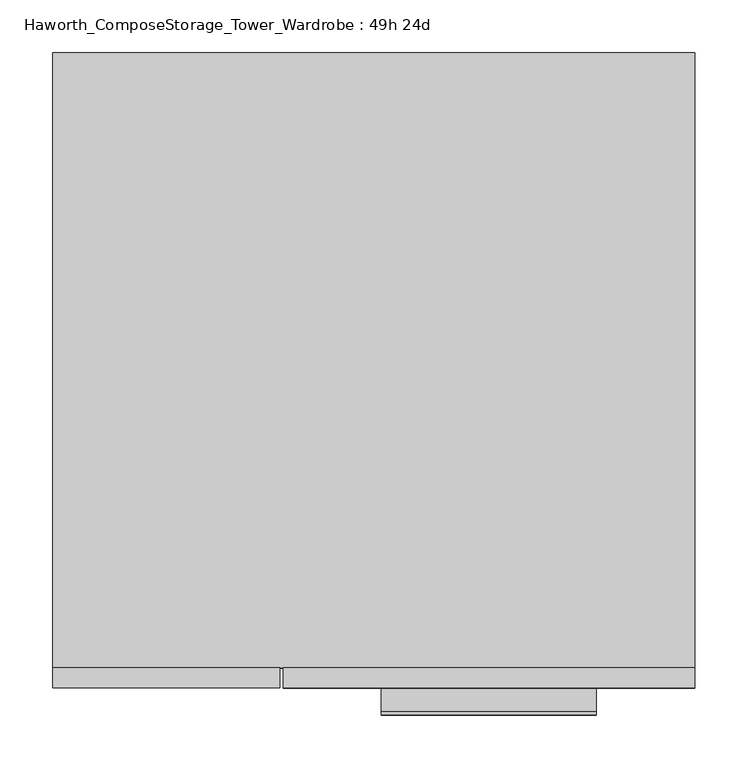
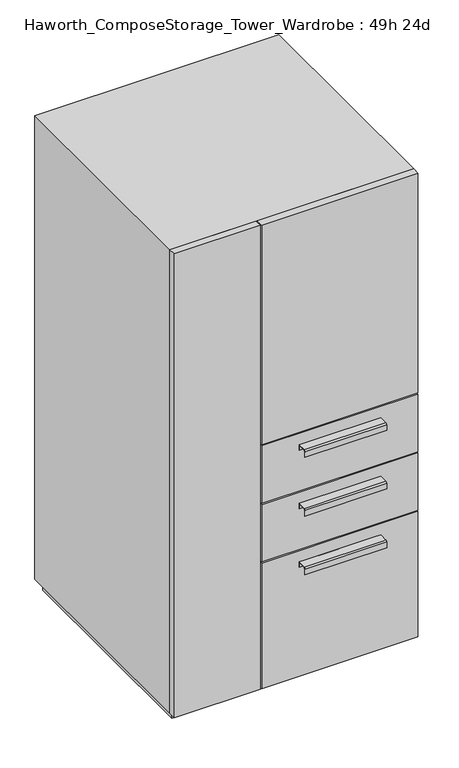
"""IFC4 building model written with IfcOpenShell, lengths in millimetres: furniture geometry, Haworth_ComposeStorage_Tower_Wardrobe : 49h 24d."""

from ifc_helpers import new_model, si_unit, point, frame, frame_2d, origin, origin_with_axes, place, context, project, spatial, polyline, circle_curve, trimmed, segment, composite_curve, outline, extrude, faceted_brep, source, transform, mapped, element, save


def haworth_composestorage_tower_wardrobe_49h_24d_34b3b2a0(model_context):
    return source(origin(), model_context, "Body", "SolidModel", [
        extrude(outline(composite_curve([segment(polyline([(-331.7875242, 633.9919215), (-309.5625, 633.9919215), (-309.5625, 620.5299525), (-310.3562742, 620.5299525), (-310.3562742, 633.1982199), (-331.7875242, 633.1982199)]), True, "CONTINUOUS"), segment(trimmed(circle_curve(frame_2d((-331.7875242, 630.8142808)), 2.3839392), [point((-331.7875242, 633.1982199))], [point((-334.1714634, 630.8142808))], True, "CARTESIAN"), True, "CONTINUOUS"), segment(polyline([(-334.1714634, 630.8142808), (-334.1714634, 616.2119021), (-334.9624758, 616.2119021), (-334.9624758, 630.8169699)]), True, "CONTINUOUS"), segment(trimmed(circle_curve(frame_2d((-331.7875242, 630.8169699)), 3.1749516), [point((-334.9624758, 630.8169699))], [point((-331.7875242, 633.9919215))], False, "CARTESIAN"), True, "CONTINUOUS")], self_intersect=False)), frame((7.1576406, 0.0, 0.0), z_axis=(1.0, 0.0, 0.0), x_axis=(0.0, 1.0, 0.0)), (0.0, 0.0, 1.0), 203.2),
        extrude(outline(polyline([(303.2263906, -290.5125), (303.2263906, -309.5625), (-85.7111094, -309.5625), (-85.7111094, -290.5125), (303.2263906, -290.5125)])), frame((0.0, 0.0, 512.7625), z_axis=(0.0, 0.0, 1.0), x_axis=(1.0, 0.0, 0.0)), (0.0, 0.0, 1.0), 150.8125),
        extrude(outline(composite_curve([segment(polyline([(-331.7875242, 480.0044215), (-309.5625, 480.0044215), (-309.5625, 466.5424525), (-310.3562742, 466.5424525), (-310.3562742, 479.2107199), (-331.7875242, 479.2107199)]), True, "CONTINUOUS"), segment(trimmed(circle_curve(frame_2d((-331.7875242, 476.8267808)), 2.3839392), [point((-331.7875242, 479.2107199))], [point((-334.1714634, 476.8267808))], True, "CARTESIAN"), True, "CONTINUOUS"), segment(polyline([(-334.1714634, 476.8267808), (-334.1714634, 462.2244021), (-334.9624758, 462.2244021), (-334.9624758, 476.8294699)]), True, "CONTINUOUS"), segment(trimmed(circle_curve(frame_2d((-331.7875242, 476.8294699)), 3.1749516), [point((-334.9624758, 476.8294699))], [point((-331.7875242, 480.0044215))], False, "CARTESIAN"), True, "CONTINUOUS")], self_intersect=False)), frame((7.1576406, 0.0, 0.0), z_axis=(1.0, 0.0, 0.0), x_axis=(0.0, 1.0, 0.0)), (0.0, 0.0, 1.0), 203.2),
        extrude(outline(polyline([(303.2263906, -290.5125), (303.2263906, -309.5625), (-85.7111094, -309.5625), (-85.7111094, -290.5125), (303.2263906, -290.5125)])), frame((0.0, 0.0, 358.775), z_axis=(0.0, 0.0, 1.0), x_axis=(1.0, 0.0, 0.0)), (0.0, 0.0, 1.0), 150.8125),
        extrude(outline(composite_curve([segment(polyline([(-331.7875242, 326.0169215), (-309.5625, 326.0169215), (-309.5625, 312.5549525), (-310.3562742, 312.5549525), (-310.3562742, 325.2232199), (-331.7875242, 325.2232199)]), True, "CONTINUOUS"), segment(trimmed(circle_curve(frame_2d((-331.7875242, 322.8392808)), 2.3839392), [point((-331.7875242, 325.2232199))], [point((-334.1714634, 322.8392808))], True, "CARTESIAN"), True, "CONTINUOUS"), segment(polyline([(-334.1714634, 322.8392808), (-334.1714634, 308.2369021), (-334.9624758, 308.2369021), (-334.9624758, 322.8419699)]), True, "CONTINUOUS"), segment(trimmed(circle_curve(frame_2d((-331.7875242, 322.8419699)), 3.1749516), [point((-334.9624758, 322.8419699))], [point((-331.7875242, 326.0169215))], False, "CARTESIAN"), True, "CONTINUOUS")], self_intersect=False)), frame((7.1576406, 0.0, 0.0), z_axis=(1.0, 0.0, 0.0), x_axis=(0.0, 1.0, 0.0)), (0.0, 0.0, 1.0), 203.2),
        extrude(outline(polyline([(303.2263906, -290.5125), (303.2263906, -309.5625), (-85.7111094, -309.5625), (-85.7111094, -290.5125), (303.2263906, -290.5125)])), frame((0.0, 0.0, 25.4), z_axis=(0.0, 0.0, 1.0), x_axis=(1.0, 0.0, 0.0)), (0.0, 0.0, 1.0), 330.2),
        extrude(outline(polyline([(303.2263906, -290.5125), (303.2263906, -309.5625), (-85.7111094, -309.5625), (-85.7111094, -290.5125), (303.2263906, -290.5125)])), frame((0.0, 0.0, 666.75), z_axis=(0.0, 0.0, 1.0), x_axis=(1.0, 0.0, 0.0)), (0.0, 0.0, 1.0), 577.85),
        extrude(outline(polyline([(-303.1986094, -309.5625), (-303.1986094, -290.5125), (-88.8861094, -290.5125), (-88.8861094, -309.5625), (-303.1986094, -309.5625)])), frame((0.0, 0.0, 25.4), z_axis=(0.0, 0.0, 1.0), x_axis=(1.0, 0.0, 0.0)), (0.0, 0.0, 1.0), 1219.2),
        faceted_brep([(-303.1986094, -290.5125, 25.4), (303.2263906, -290.5125, 25.4), (303.2263906, -290.5125, 1244.6), (-303.1986094, -290.5125, 1244.6), (-284.1486094, -290.5125, 44.45), (-284.1486094, -290.5125, 1225.55), (284.1694453, -290.5125, 1225.55), (284.1694453, -290.5125, 44.45), (-303.1986094, 290.5125, 25.4), (-303.1986094, 290.5125, 1244.6), (303.2263906, 290.5125, 1244.6), (303.2263906, 290.5125, 25.4), (-284.1486094, 271.4625, 44.45), (-284.1486094, 271.4625, 1225.55), (284.1694453, 271.4625, 1225.55), (284.1694453, 271.4625, 44.45)], [[[0, 1, 2, 3], [4, 5, 6, 7]], [[8, 9, 10, 11]], [[1, 0, 8, 11]], [[2, 1, 11, 10]], [[3, 2, 10, 9]], [[0, 3, 9, 8]], [[5, 4, 12, 13]], [[6, 5, 13, 14]], [[7, 6, 14, 15]], [[4, 7, 15, 12]], [[13, 12, 15, 14]]]),
        extrude(outline(polyline([(290.5263906, -277.8125), (-290.4986094, -277.8125), (-290.4986094, 277.8125), (290.5263906, 277.8125), (290.5263906, -277.8125)])), origin_with_axes(), (0.0, 0.0, 1.0), 25.4),
    ])


if __name__ == "__main__":
    model = new_model("IFC4")
    model_context = context("Model", 3, world=origin())
    ifc_project = project(units=[si_unit("LENGTHUNIT", "METRE", prefix="MILLI")], contexts=[model_context])
    site = spatial("IfcSite", under=ifc_project)
    building = spatial("IfcBuilding", under=site)
    placement = place(None, origin())
    haworth_composestorage_tower_wardrobe_49h_24d_shape = haworth_composestorage_tower_wardrobe_49h_24d_34b3b2a0(model_context)
    element("IfcFurniture", 1, ObjectType="Haworth_ComposeStorage_Tower_Wardrobe : 49h 24d", at=placement, inside=building, context=model_context, shape_type="MappedRepresentation", body=[
        mapped(haworth_composestorage_tower_wardrobe_49h_24d_shape, transform((0.0, 0.0, 0.0), x_axis=(1.0, 0.0, 0.0), y_axis=(0.0, 1.0, 0.0), z_axis=(0.0, 0.0, 1.0))),
    ])
    save(model, "model.ifc")
